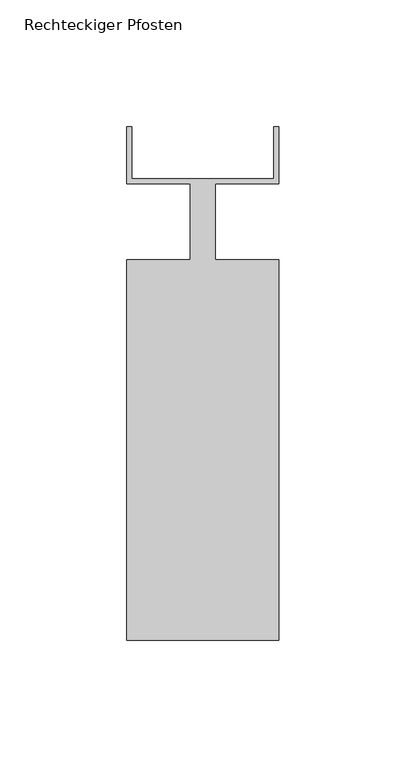
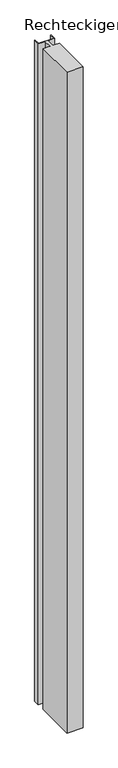
"""IFC4 building model written with IfcOpenShell, lengths in millimetres: member geometry, Rechteckiger Pfosten."""

from ifc_helpers import new_model, si_unit, frame, origin, place, context, project, spatial, polyline, outline, extrude, source, transform, mapped, element, save


def rechteckiger_pfosten_518e7238(model_context):
    return source(origin(), model_context, "Body", "SweptSolid", [
        extrude(outline(polyline([(-58.0, 37.5), (-58.0, 17.0), (-2.0, 17.0), (-2.0, 37.5), (0.0, 37.5), (0.0, 15.0), (-25.0, 15.0), (-25.0, -15.0), (0.0, -15.0), (0.0, -165.0), (-60.0, -165.0), (-60.0, -15.0), (-35.0, -15.0), (-35.0, 15.0), (-60.0, 15.0), (-60.0, 37.5), (-58.0, 37.5)])), frame((0.0, 0.0, -2544.9999997), z_axis=(0.0, 0.0, 1.0), x_axis=(1.0, 0.0, 0.0)), (0.0, 0.0, 1.0), 2544.9999997),
    ])


if __name__ == "__main__":
    model = new_model("IFC4")
    model_context = context("Model", 3, world=origin())
    ifc_project = project(units=[si_unit("LENGTHUNIT", "METRE", prefix="MILLI")], contexts=[model_context])
    site = spatial("IfcSite", under=ifc_project)
    building = spatial("IfcBuilding", under=site)
    placement = place(None, origin())
    rechteckiger_pfosten_shape = rechteckiger_pfosten_518e7238(model_context)
    element("IfcMember", 1, ObjectType="Rechteckiger Pfosten", at=placement, inside=building, context=model_context, shape_type="MappedRepresentation", body=[
        mapped(rechteckiger_pfosten_shape, transform((0.0, 0.0, 0.0), x_axis=(1.0, 0.0, 0.0), y_axis=(0.0, 1.0, 0.0), z_axis=(0.0, 0.0, 1.0))),
    ])
    save(model, "model.ifc")
